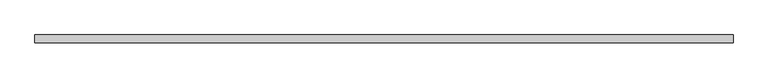
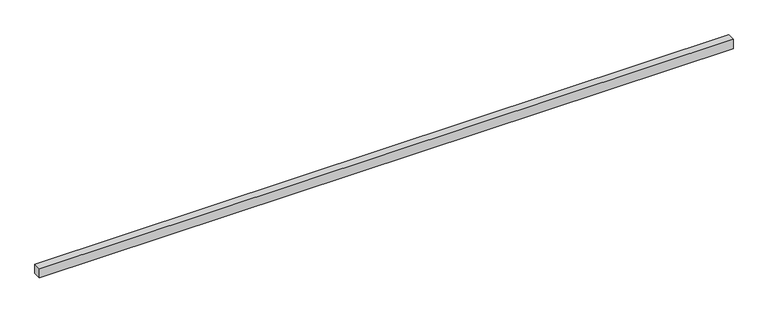
"""IFC4 building model written with IfcOpenShell, lengths in millimetres: proxy geometry."""

from ifc_helpers import new_model, si_unit, origin, origin_with_axes, place, context, project, spatial, polyline, outline, extrude, source, transform, mapped, element, save


def generic_models_4eea0061(model_context):
    return source(origin(), model_context, "Body", "SweptSolid", [
        extrude(outline(polyline([(7139.2146695, -40.0), (0.0, -40.0), (0.0, 40.0), (7139.2146695, 40.0), (7139.2146695, -40.0)])), origin_with_axes(), (0.0, 0.0, 1.0), 100.0),
    ])


if __name__ == "__main__":
    model = new_model("IFC4")
    model_context = context("Model", 3, world=origin())
    ifc_project = project(units=[si_unit("LENGTHUNIT", "METRE", prefix="MILLI")], contexts=[model_context])
    site = spatial("IfcSite", under=ifc_project)
    building = spatial("IfcBuilding", under=site)
    placement = place(None, origin())
    generic_models_shape = generic_models_4eea0061(model_context)
    element("IfcBuildingElementProxy", 1, Name="Generic Models", at=placement, inside=building, context=model_context, shape_type="MappedRepresentation", body=[
        mapped(generic_models_shape, transform((0.0, 0.0, 0.0), x_axis=(1.0, 0.0, 0.0), y_axis=(0.0, 1.0, 0.0), z_axis=(0.0, 0.0, 1.0))),
    ])
    save(model, "model.ifc")
